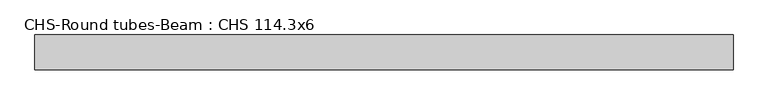
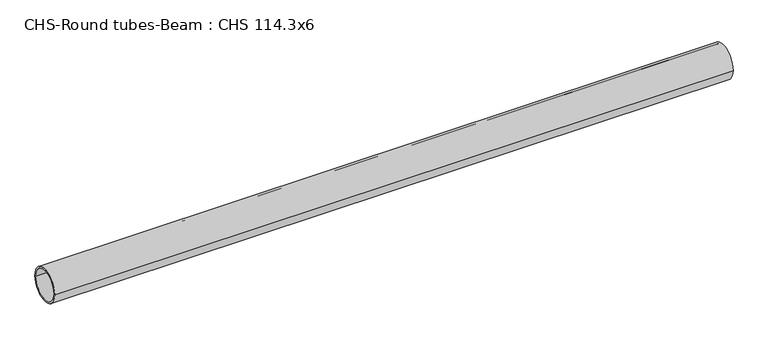
"""IFC4 building model written with IfcOpenShell, lengths in millimetres: beam geometry, CHS-Round tubes-Beam : CHS 114.3x6."""

from ifc_helpers import new_model, si_unit, point, frame, origin, origin_2d, place, context, project, spatial, circle_curve, trimmed, segment, composite_curve, outline, extrude, source, transform, mapped, element, save


def chs_round_tubes_beam_chs_114_3x6_3d4f8537(model_context):
    return source(origin(), model_context, "Body", "SweptSolid", [
        extrude(outline(composite_curve([segment(trimmed(circle_curve(origin_2d(), 57.15), [point((57.15, 0.0))], [point((-57.15, 0.0))], False, "CARTESIAN"), True, "CONTINUOUS"), segment(trimmed(circle_curve(origin_2d(), 57.15), [point((-57.15, 0.0))], [point((57.15, 0.0))], False, "CARTESIAN"), True, "CONTINUOUS")], self_intersect=False), holes=[composite_curve([segment(trimmed(circle_curve(origin_2d(), 51.15), [point((51.15, 0.0))], [point((-51.15, 0.0))], True, "CARTESIAN"), True, "CONTINUOUS"), segment(trimmed(circle_curve(origin_2d(), 51.15), [point((-51.15, 0.0))], [point((51.15, 0.0))], True, "CARTESIAN"), True, "CONTINUOUS")], self_intersect=False)]), frame((-959.2833931, 0.0, 0.0), z_axis=(1.0, 0.0, 0.0), x_axis=(0.0, 1.0, 0.0)), (0.0, 0.0, 1.0), 2280.0824525),
    ])


if __name__ == "__main__":
    model = new_model("IFC4")
    model_context = context("Model", 3, world=origin())
    ifc_project = project(units=[si_unit("LENGTHUNIT", "METRE", prefix="MILLI")], contexts=[model_context])
    site = spatial("IfcSite", under=ifc_project)
    building = spatial("IfcBuilding", under=site)
    placement = place(None, origin())
    chs_round_tubes_beam_chs_114_3x6_shape = chs_round_tubes_beam_chs_114_3x6_3d4f8537(model_context)
    element("IfcBeam", 1, ObjectType="CHS-Round tubes-Beam : CHS 114.3x6", at=placement, inside=building, context=model_context, shape_type="MappedRepresentation", body=[
        mapped(chs_round_tubes_beam_chs_114_3x6_shape, transform((0.0, 0.0, 0.0), x_axis=(1.0, 0.0, 0.0), y_axis=(0.0, 1.0, 0.0), z_axis=(0.0, 0.0, 1.0))),
    ])
    save(model, "model.ifc")
